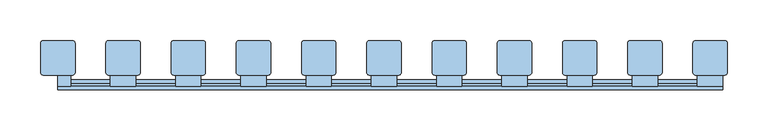
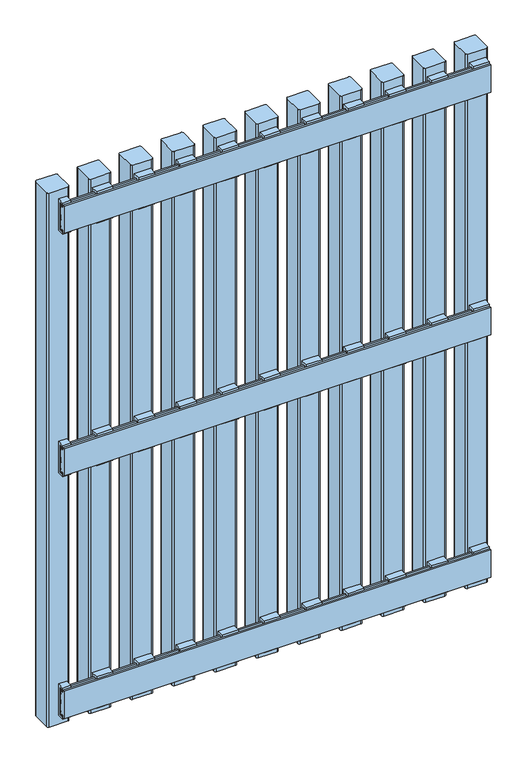
"""IFC4 building model written with IfcOpenShell, lengths in millimetres: window geometry."""

from ifc_helpers import new_model, si_unit, point, frame, frame_2d, origin, place, context, project, spatial, polyline, circle_curve, trimmed, segment, composite_curve, outline, extrude, source, transform, mapped, element, save


def window_81b12cc7(model_context):
    return source(origin(), model_context, "Body", "SweptSolid", [
        extrude(outline(polyline([(32.2, 666.5936804), (28.0, 666.5936804), (28.0, 662.5936804), (24.2, 662.5936804), (24.2, 670.5), (38.1, 670.5), (38.1, 607.5), (24.2, 607.5), (24.2, 615.4063196), (28.0, 615.4063196), (28.0, 611.4063196), (32.2, 611.4063196), (32.2, 666.5936804)])), frame((264.5, 0.0, 0.0), z_axis=(1.0, 0.0, 0.0), x_axis=(0.0, 1.0, 0.0)), (0.0, 0.0, 1.0), 31.0),
        extrude(outline(polyline([(32.1, 1100.9063196), (32.1, 1156.0936804), (27.9, 1156.0936804), (27.9, 1152.0936804), (24.1, 1152.0936804), (24.1, 1160.0), (38.0, 1160.0), (38.0, 1097.0), (24.1, 1097.0), (24.1, 1104.9063196), (27.9, 1104.9063196), (27.9, 1100.9063196), (32.1, 1100.9063196)])), frame((264.5, 0.0, 0.0), z_axis=(1.0, 0.0, 0.0), x_axis=(0.0, 1.0, 0.0)), (0.0, 0.0, 1.0), 31.0),
        extrude(outline(polyline([(32.1, 177.0936804), (27.9, 177.0936804), (27.9, 173.0936804), (24.1, 173.0936804), (24.1, 181.0), (38.0, 181.0), (38.0, 118.0), (24.1, 118.0), (24.1, 125.9063196), (27.9, 125.9063196), (27.9, 121.9063196), (32.1, 121.9063196), (32.1, 177.0936804)])), frame((264.5, 0.0, 0.0), z_axis=(1.0, 0.0, 0.0), x_axis=(0.0, 1.0, 0.0)), (0.0, 0.0, 1.0), 31.0),
        extrude(outline(polyline([(32.2, 666.5936804), (28.0, 666.5936804), (28.0, 662.5936804), (24.2, 662.5936804), (24.2, 670.5), (38.1, 670.5), (38.1, 607.5), (24.2, 607.5), (24.2, 615.4063196), (28.0, 615.4063196), (28.0, 611.4063196), (32.2, 611.4063196), (32.2, 666.5936804)])), frame((184.5, 0.0, 0.0), z_axis=(1.0, 0.0, 0.0), x_axis=(0.0, 1.0, 0.0)), (0.0, 0.0, 1.0), 31.0),
        extrude(outline(polyline([(32.1, 1100.9063196), (32.1, 1156.0936804), (27.9, 1156.0936804), (27.9, 1152.0936804), (24.1, 1152.0936804), (24.1, 1160.0), (38.0, 1160.0), (38.0, 1097.0), (24.1, 1097.0), (24.1, 1104.9063196), (27.9, 1104.9063196), (27.9, 1100.9063196), (32.1, 1100.9063196)])), frame((184.5, 0.0, 0.0), z_axis=(1.0, 0.0, 0.0), x_axis=(0.0, 1.0, 0.0)), (0.0, 0.0, 1.0), 31.0),
        extrude(outline(polyline([(32.1, 177.0936804), (27.9, 177.0936804), (27.9, 173.0936804), (24.1, 173.0936804), (24.1, 181.0), (38.0, 181.0), (38.0, 118.0), (24.1, 118.0), (24.1, 125.9063196), (27.9, 125.9063196), (27.9, 121.9063196), (32.1, 121.9063196), (32.1, 177.0936804)])), frame((184.5, 0.0, 0.0), z_axis=(1.0, 0.0, 0.0), x_axis=(0.0, 1.0, 0.0)), (0.0, 0.0, 1.0), 31.0),
        extrude(outline(polyline([(32.2, 666.5936804), (28.0, 666.5936804), (28.0, 662.5936804), (24.2, 662.5936804), (24.2, 670.5), (38.1, 670.5), (38.1, 607.5), (24.2, 607.5), (24.2, 615.4063196), (28.0, 615.4063196), (28.0, 611.4063196), (32.2, 611.4063196), (32.2, 666.5936804)])), frame((104.5, 0.0, 0.0), z_axis=(1.0, 0.0, 0.0), x_axis=(0.0, 1.0, 0.0)), (0.0, 0.0, 1.0), 31.0),
        extrude(outline(polyline([(32.1, 1100.9063196), (32.1, 1156.0936804), (27.9, 1156.0936804), (27.9, 1152.0936804), (24.1, 1152.0936804), (24.1, 1160.0), (38.0, 1160.0), (38.0, 1097.0), (24.1, 1097.0), (24.1, 1104.9063196), (27.9, 1104.9063196), (27.9, 1100.9063196), (32.1, 1100.9063196)])), frame((104.5, 0.0, 0.0), z_axis=(1.0, 0.0, 0.0), x_axis=(0.0, 1.0, 0.0)), (0.0, 0.0, 1.0), 31.0),
        extrude(outline(polyline([(32.1, 177.0936804), (27.9, 177.0936804), (27.9, 173.0936804), (24.1, 173.0936804), (24.1, 181.0), (38.0, 181.0), (38.0, 118.0), (24.1, 118.0), (24.1, 125.9063196), (27.9, 125.9063196), (27.9, 121.9063196), (32.1, 121.9063196), (32.1, 177.0936804)])), frame((104.5, 0.0, 0.0), z_axis=(1.0, 0.0, 0.0), x_axis=(0.0, 1.0, 0.0)), (0.0, 0.0, 1.0), 31.0),
        extrude(outline(polyline([(32.2, 666.5936804), (28.0, 666.5936804), (28.0, 662.5936804), (24.2, 662.5936804), (24.2, 670.5), (38.1, 670.5), (38.1, 607.5), (24.2, 607.5), (24.2, 615.4063196), (28.0, 615.4063196), (28.0, 611.4063196), (32.2, 611.4063196), (32.2, 666.5936804)])), frame((24.5, 0.0, 0.0), z_axis=(1.0, 0.0, 0.0), x_axis=(0.0, 1.0, 0.0)), (0.0, 0.0, 1.0), 31.0),
        extrude(outline(polyline([(32.1, 1100.9063196), (32.1, 1156.0936804), (27.9, 1156.0936804), (27.9, 1152.0936804), (24.1, 1152.0936804), (24.1, 1160.0), (38.0, 1160.0), (38.0, 1097.0), (24.1, 1097.0), (24.1, 1104.9063196), (27.9, 1104.9063196), (27.9, 1100.9063196), (32.1, 1100.9063196)])), frame((24.5, 0.0, 0.0), z_axis=(1.0, 0.0, 0.0), x_axis=(0.0, 1.0, 0.0)), (0.0, 0.0, 1.0), 31.0),
        extrude(outline(polyline([(32.1, 177.0936804), (27.9, 177.0936804), (27.9, 173.0936804), (24.1, 173.0936804), (24.1, 181.0), (38.0, 181.0), (38.0, 118.0), (24.1, 118.0), (24.1, 125.9063196), (27.9, 125.9063196), (27.9, 121.9063196), (32.1, 121.9063196), (32.1, 177.0936804)])), frame((24.5, 0.0, 0.0), z_axis=(1.0, 0.0, 0.0), x_axis=(0.0, 1.0, 0.0)), (0.0, 0.0, 1.0), 31.0),
        extrude(outline(polyline([(32.2, 666.5936804), (28.0, 666.5936804), (28.0, 662.5936804), (24.2, 662.5936804), (24.2, 670.5), (38.1, 670.5), (38.1, 607.5), (24.2, 607.5), (24.2, 615.4063196), (28.0, 615.4063196), (28.0, 611.4063196), (32.2, 611.4063196), (32.2, 666.5936804)])), frame((-55.5, 0.0, 0.0), z_axis=(1.0, 0.0, 0.0), x_axis=(0.0, 1.0, 0.0)), (0.0, 0.0, 1.0), 31.0),
        extrude(outline(polyline([(32.1, 1100.9063196), (32.1, 1156.0936804), (27.9, 1156.0936804), (27.9, 1152.0936804), (24.1, 1152.0936804), (24.1, 1160.0), (38.0, 1160.0), (38.0, 1097.0), (24.1, 1097.0), (24.1, 1104.9063196), (27.9, 1104.9063196), (27.9, 1100.9063196), (32.1, 1100.9063196)])), frame((-55.5, 0.0, 0.0), z_axis=(1.0, 0.0, 0.0), x_axis=(0.0, 1.0, 0.0)), (0.0, 0.0, 1.0), 31.0),
        extrude(outline(polyline([(32.1, 177.0936804), (27.9, 177.0936804), (27.9, 173.0936804), (24.1, 173.0936804), (24.1, 181.0), (38.0, 181.0), (38.0, 118.0), (24.1, 118.0), (24.1, 125.9063196), (27.9, 125.9063196), (27.9, 121.9063196), (32.1, 121.9063196), (32.1, 177.0936804)])), frame((-55.5, 0.0, 0.0), z_axis=(1.0, 0.0, 0.0), x_axis=(0.0, 1.0, 0.0)), (0.0, 0.0, 1.0), 31.0),
        extrude(outline(polyline([(32.2, 666.5936804), (28.0, 666.5936804), (28.0, 662.5936804), (24.2, 662.5936804), (24.2, 670.5), (38.1, 670.5), (38.1, 607.5), (24.2, 607.5), (24.2, 615.4063196), (28.0, 615.4063196), (28.0, 611.4063196), (32.2, 611.4063196), (32.2, 666.5936804)])), frame((-135.5, 0.0, 0.0), z_axis=(1.0, 0.0, 0.0), x_axis=(0.0, 1.0, 0.0)), (0.0, 0.0, 1.0), 31.0),
        extrude(outline(polyline([(32.1, 1100.9063196), (32.1, 1156.0936804), (27.9, 1156.0936804), (27.9, 1152.0936804), (24.1, 1152.0936804), (24.1, 1160.0), (38.0, 1160.0), (38.0, 1097.0), (24.1, 1097.0), (24.1, 1104.9063196), (27.9, 1104.9063196), (27.9, 1100.9063196), (32.1, 1100.9063196)])), frame((-135.5, 0.0, 0.0), z_axis=(1.0, 0.0, 0.0), x_axis=(0.0, 1.0, 0.0)), (0.0, 0.0, 1.0), 31.0),
        extrude(outline(polyline([(32.1, 177.0936804), (27.9, 177.0936804), (27.9, 173.0936804), (24.1, 173.0936804), (24.1, 181.0), (38.0, 181.0), (38.0, 118.0), (24.1, 118.0), (24.1, 125.9063196), (27.9, 125.9063196), (27.9, 121.9063196), (32.1, 121.9063196), (32.1, 177.0936804)])), frame((-135.5, 0.0, 0.0), z_axis=(1.0, 0.0, 0.0), x_axis=(0.0, 1.0, 0.0)), (0.0, 0.0, 1.0), 31.0),
        extrude(outline(polyline([(32.2, 666.5936804), (28.0, 666.5936804), (28.0, 662.5936804), (24.2, 662.5936804), (24.2, 670.5), (38.1, 670.5), (38.1, 607.5), (24.2, 607.5), (24.2, 615.4063196), (28.0, 615.4063196), (28.0, 611.4063196), (32.2, 611.4063196), (32.2, 666.5936804)])), frame((-215.5, 0.0, 0.0), z_axis=(1.0, 0.0, 0.0), x_axis=(0.0, 1.0, 0.0)), (0.0, 0.0, 1.0), 31.0),
        extrude(outline(polyline([(32.1, 1100.9063196), (32.1, 1156.0936804), (27.9, 1156.0936804), (27.9, 1152.0936804), (24.1, 1152.0936804), (24.1, 1160.0), (38.0, 1160.0), (38.0, 1097.0), (24.1, 1097.0), (24.1, 1104.9063196), (27.9, 1104.9063196), (27.9, 1100.9063196), (32.1, 1100.9063196)])), frame((-215.5, 0.0, 0.0), z_axis=(1.0, 0.0, 0.0), x_axis=(0.0, 1.0, 0.0)), (0.0, 0.0, 1.0), 31.0),
        extrude(outline(polyline([(32.1, 177.0936804), (27.9, 177.0936804), (27.9, 173.0936804), (24.1, 173.0936804), (24.1, 181.0), (38.0, 181.0), (38.0, 118.0), (24.1, 118.0), (24.1, 125.9063196), (27.9, 125.9063196), (27.9, 121.9063196), (32.1, 121.9063196), (32.1, 177.0936804)])), frame((-215.5, 0.0, 0.0), z_axis=(1.0, 0.0, 0.0), x_axis=(0.0, 1.0, 0.0)), (0.0, 0.0, 1.0), 31.0),
        extrude(outline(polyline([(32.2, 666.5936804), (28.0, 666.5936804), (28.0, 662.5936804), (24.2, 662.5936804), (24.2, 670.5), (38.1, 670.5), (38.1, 607.5), (24.2, 607.5), (24.2, 615.4063196), (28.0, 615.4063196), (28.0, 611.4063196), (32.2, 611.4063196), (32.2, 666.5936804)])), frame((-295.5, 0.0, 0.0), z_axis=(1.0, 0.0, 0.0), x_axis=(0.0, 1.0, 0.0)), (0.0, 0.0, 1.0), 31.0),
        extrude(outline(polyline([(32.1, 1100.9063196), (32.1, 1156.0936804), (27.9, 1156.0936804), (27.9, 1152.0936804), (24.1, 1152.0936804), (24.1, 1160.0), (38.0, 1160.0), (38.0, 1097.0), (24.1, 1097.0), (24.1, 1104.9063196), (27.9, 1104.9063196), (27.9, 1100.9063196), (32.1, 1100.9063196)])), frame((-295.5, 0.0, 0.0), z_axis=(1.0, 0.0, 0.0), x_axis=(0.0, 1.0, 0.0)), (0.0, 0.0, 1.0), 31.0),
        extrude(outline(polyline([(32.1, 177.0936804), (27.9, 177.0936804), (27.9, 173.0936804), (24.1, 173.0936804), (24.1, 181.0), (38.0, 181.0), (38.0, 118.0), (24.1, 118.0), (24.1, 125.9063196), (27.9, 125.9063196), (27.9, 121.9063196), (32.1, 121.9063196), (32.1, 177.0936804)])), frame((-295.5, 0.0, 0.0), z_axis=(1.0, 0.0, 0.0), x_axis=(0.0, 1.0, 0.0)), (0.0, 0.0, 1.0), 31.0),
        extrude(outline(polyline([(32.2, 666.5936804), (28.0, 666.5936804), (28.0, 662.5936804), (24.2, 662.5936804), (24.2, 670.5), (38.1, 670.5), (38.1, 607.5), (24.2, 607.5), (24.2, 615.4063196), (28.0, 615.4063196), (28.0, 611.4063196), (32.2, 611.4063196), (32.2, 666.5936804)])), frame((-375.5, 0.0, 0.0), z_axis=(1.0, 0.0, 0.0), x_axis=(0.0, 1.0, 0.0)), (0.0, 0.0, 1.0), 31.0),
        extrude(outline(polyline([(32.1, 1100.9063196), (32.1, 1156.0936804), (27.9, 1156.0936804), (27.9, 1152.0936804), (24.1, 1152.0936804), (24.1, 1160.0), (38.0, 1160.0), (38.0, 1097.0), (24.1, 1097.0), (24.1, 1104.9063196), (27.9, 1104.9063196), (27.9, 1100.9063196), (32.1, 1100.9063196)])), frame((-375.5, 0.0, 0.0), z_axis=(1.0, 0.0, 0.0), x_axis=(0.0, 1.0, 0.0)), (0.0, 0.0, 1.0), 31.0),
        extrude(outline(polyline([(32.1, 177.0936804), (27.9, 177.0936804), (27.9, 173.0936804), (24.1, 173.0936804), (24.1, 181.0), (38.0, 181.0), (38.0, 118.0), (24.1, 118.0), (24.1, 125.9063196), (27.9, 125.9063196), (27.9, 121.9063196), (32.1, 121.9063196), (32.1, 177.0936804)])), frame((-375.5, 0.0, 0.0), z_axis=(1.0, 0.0, 0.0), x_axis=(0.0, 1.0, 0.0)), (0.0, 0.0, 1.0), 31.0),
        extrude(outline(polyline([(32.2, 611.4063196), (32.2, 666.5936804), (28.0, 666.5936804), (28.0, 662.5936804), (24.2, 662.5936804), (24.2, 670.5), (38.1, 670.5), (38.1, 607.5), (24.2, 607.5), (24.2, 615.4063196), (28.0, 615.4063196), (28.0, 611.4063196), (32.2, 611.4063196)])), frame((344.5, 0.0, 0.0), z_axis=(1.0, 0.0, 0.0), x_axis=(0.0, 1.0, 0.0)), (0.0, 0.0, 1.0), 31.0),
        extrude(outline(polyline([(32.1, 1100.9063196), (32.1, 1156.0936804), (27.9, 1156.0936804), (27.9, 1152.0936804), (24.1, 1152.0936804), (24.1, 1160.0), (38.0, 1160.0), (38.0, 1097.0), (24.1, 1097.0), (24.1, 1104.9063196), (27.9, 1104.9063196), (27.9, 1100.9063196), (32.1, 1100.9063196)])), frame((344.5, 0.0, 0.0), z_axis=(1.0, 0.0, 0.0), x_axis=(0.0, 1.0, 0.0)), (0.0, 0.0, 1.0), 31.0),
        extrude(outline(polyline([(32.1, 177.0936804), (27.9, 177.0936804), (27.9, 173.0936804), (24.1, 173.0936804), (24.1, 181.0), (38.0, 181.0), (38.0, 118.0), (24.1, 118.0), (24.1, 125.9063196), (27.9, 125.9063196), (27.9, 121.9063196), (32.1, 121.9063196), (32.1, 177.0936804)])), frame((344.5, 0.0, 0.0), z_axis=(1.0, 0.0, 0.0), x_axis=(0.0, 1.0, 0.0)), (0.0, 0.0, 1.0), 31.0),
        extrude(outline(polyline([(32.2, 611.4063196), (32.2, 666.5936804), (28.0, 666.5936804), (28.0, 662.5936804), (24.2, 662.5936804), (24.2, 670.5), (38.1, 670.5), (38.1, 607.5), (24.2, 607.5), (24.2, 615.4063196), (28.0, 615.4063196), (28.0, 611.4063196), (32.2, 611.4063196)])), frame((-440.0378851, 0.0, 0.0), z_axis=(1.0, 0.0, 0.0), x_axis=(0.0, 1.0, 0.0)), (0.0, 0.0, 1.0), 15.5378851),
        extrude(outline(polyline([(32.1, 1100.9063196), (32.1, 1156.0936804), (27.9, 1156.0936804), (27.9, 1152.0936804), (24.1, 1152.0936804), (24.1, 1160.0), (38.0, 1160.0), (38.0, 1097.0), (24.1, 1097.0), (24.1, 1104.9063196), (27.9, 1104.9063196), (27.9, 1100.9063196), (32.1, 1100.9063196)])), frame((-440.0, 0.0, 0.0), z_axis=(1.0, 0.0, 0.0), x_axis=(0.0, 1.0, 0.0)), (0.0, 0.0, 1.0), 15.5),
        extrude(outline(polyline([(32.1, 177.0936804), (27.9, 177.0936804), (27.9, 173.0936804), (24.1, 173.0936804), (24.1, 181.0), (38.0, 181.0), (38.0, 118.0), (24.1, 118.0), (24.1, 125.9063196), (27.9, 125.9063196), (27.9, 121.9063196), (32.1, 121.9063196), (32.1, 177.0936804)])), frame((-440.0, 0.0, 0.0), z_axis=(1.0, 0.0, 0.0), x_axis=(0.0, 1.0, 0.0)), (0.0, 0.0, 1.0), 15.5),
        extrude(outline(polyline([(20.1, 666.5063196), (24.1, 666.5063196), (24.1, 662.5063196), (28.1, 662.5063196), (28.1, 666.5063196), (32.1, 666.5063196), (32.1, 661.5063196), (29.1, 661.5063196), (29.1, 656.5063196), (32.1, 656.5063196), (32.1, 644.0063196), (29.1, 644.0063196), (29.1, 634.0063196), (32.1, 634.0063196), (32.1, 621.5063196), (29.1, 621.5063196), (29.1, 616.5063196), (32.1, 616.5063196), (32.1, 611.5063196), (28.1, 611.5063196), (28.1, 615.5063196), (24.1, 615.5063196), (24.1, 611.5063196), (20.1, 611.5063196), (20.1, 666.5063196)])), frame((-440.0, 0.0, 0.0), z_axis=(1.0, 0.0, 0.0), x_axis=(0.0, 1.0, 0.0)), (0.0, 0.0, 1.0), 815.5),
        extrude(outline(polyline([(20.0, 1156.0), (24.0, 1156.0), (24.0, 1152.0), (28.0, 1152.0), (28.0, 1156.0), (32.0, 1156.0), (32.0, 1151.0), (29.0, 1151.0), (29.0, 1146.0), (32.0, 1146.0), (32.0, 1133.5), (29.0, 1133.5), (29.0, 1123.5), (32.0, 1123.5), (32.0, 1111.0), (29.0, 1111.0), (29.0, 1106.0), (32.0, 1106.0), (32.0, 1101.0), (28.0, 1101.0), (28.0, 1105.0), (24.0, 1105.0), (24.0, 1101.0), (20.0, 1101.0), (20.0, 1156.0)])), frame((-440.0, 0.0, 0.0), z_axis=(1.0, 0.0, 0.0), x_axis=(0.0, 1.0, 0.0)), (0.0, 0.0, 1.0), 815.5),
        extrude(outline(polyline([(20.0, 177.0), (24.0, 177.0), (24.0, 173.0), (28.0, 173.0), (28.0, 177.0), (32.0, 177.0), (32.0, 172.0), (29.0, 172.0), (29.0, 167.0), (32.0, 167.0), (32.0, 154.5), (29.0, 154.5), (29.0, 144.5), (32.0, 144.5), (32.0, 132.0), (29.0, 132.0), (29.0, 127.0), (32.0, 127.0), (32.0, 122.0), (28.0, 122.0), (28.0, 126.0), (24.0, 126.0), (24.0, 122.0), (20.0, 122.0), (20.0, 177.0)])), frame((-440.0, 0.0, 0.0), z_axis=(1.0, 0.0, 0.0), x_axis=(0.0, 1.0, 0.0)), (0.0, 0.0, 1.0), 815.5),
        extrude(outline(composite_curve([segment(polyline([(380.995806, 77.0), (380.995806, 41.0)]), True, "CONTINUOUS"), segment(trimmed(circle_curve(frame_2d((377.995806, 41.0)), 3.0), [point((380.995806, 41.0))], [point((377.995806, 38.0))], False, "CARTESIAN"), True, "CONTINUOUS"), segment(polyline([(377.995806, 38.0), (341.995806, 38.0)]), True, "CONTINUOUS"), segment(trimmed(circle_curve(frame_2d((341.995806, 41.0)), 3.0), [point((341.995806, 38.0))], [point((338.995806, 41.0))], False, "CARTESIAN"), True, "CONTINUOUS"), segment(polyline([(338.995806, 41.0), (338.995806, 77.0)]), True, "CONTINUOUS"), segment(trimmed(circle_curve(frame_2d((341.995806, 77.0)), 3.0), [point((338.995806, 77.0))], [point((341.995806, 80.0))], False, "CARTESIAN"), True, "CONTINUOUS"), segment(polyline([(341.995806, 80.0), (377.995806, 80.0)]), True, "CONTINUOUS"), segment(trimmed(circle_curve(frame_2d((377.995806, 77.0)), 3.0), [point((377.995806, 80.0))], [point((380.995806, 77.0))], False, "CARTESIAN"), True, "CONTINUOUS")], self_intersect=False)), frame((0.0, 0.0, 100.0), z_axis=(0.0, 0.0, 1.0), x_axis=(1.0, 0.0, 0.0)), (0.0, 0.0, 1.0), 1078.0),
        extrude(outline(composite_curve([segment(polyline([(300.995806, 77.0), (300.995806, 41.0)]), True, "CONTINUOUS"), segment(trimmed(circle_curve(frame_2d((297.995806, 41.0)), 3.0), [point((300.995806, 41.0))], [point((297.995806, 38.0))], False, "CARTESIAN"), True, "CONTINUOUS"), segment(polyline([(297.995806, 38.0), (261.995806, 38.0)]), True, "CONTINUOUS"), segment(trimmed(circle_curve(frame_2d((261.995806, 41.0)), 3.0), [point((261.995806, 38.0))], [point((258.995806, 41.0))], False, "CARTESIAN"), True, "CONTINUOUS"), segment(polyline([(258.995806, 41.0), (258.995806, 77.0)]), True, "CONTINUOUS"), segment(trimmed(circle_curve(frame_2d((261.995806, 77.0)), 3.0), [point((258.995806, 77.0))], [point((261.995806, 80.0))], False, "CARTESIAN"), True, "CONTINUOUS"), segment(polyline([(261.995806, 80.0), (297.995806, 80.0)]), True, "CONTINUOUS"), segment(trimmed(circle_curve(frame_2d((297.995806, 77.0)), 3.0), [point((297.995806, 80.0))], [point((300.995806, 77.0))], False, "CARTESIAN"), True, "CONTINUOUS")], self_intersect=False)), frame((0.0, 0.0, 100.0), z_axis=(0.0, 0.0, 1.0), x_axis=(1.0, 0.0, 0.0)), (0.0, 0.0, 1.0), 1078.0),
        extrude(outline(composite_curve([segment(polyline([(220.995806, 77.0), (220.995806, 41.0)]), True, "CONTINUOUS"), segment(trimmed(circle_curve(frame_2d((217.995806, 41.0)), 3.0), [point((220.995806, 41.0))], [point((217.995806, 38.0))], False, "CARTESIAN"), True, "CONTINUOUS"), segment(polyline([(217.995806, 38.0), (181.995806, 38.0)]), True, "CONTINUOUS"), segment(trimmed(circle_curve(frame_2d((181.995806, 41.0)), 3.0), [point((181.995806, 38.0))], [point((178.995806, 41.0))], False, "CARTESIAN"), True, "CONTINUOUS"), segment(polyline([(178.995806, 41.0), (178.995806, 77.0)]), True, "CONTINUOUS"), segment(trimmed(circle_curve(frame_2d((181.995806, 77.0)), 3.0), [point((178.995806, 77.0))], [point((181.995806, 80.0))], False, "CARTESIAN"), True, "CONTINUOUS"), segment(polyline([(181.995806, 80.0), (217.995806, 80.0)]), True, "CONTINUOUS"), segment(trimmed(circle_curve(frame_2d((217.995806, 77.0)), 3.0), [point((217.995806, 80.0))], [point((220.995806, 77.0))], False, "CARTESIAN"), True, "CONTINUOUS")], self_intersect=False)), frame((0.0, 0.0, 100.0), z_axis=(0.0, 0.0, 1.0), x_axis=(1.0, 0.0, 0.0)), (0.0, 0.0, 1.0), 1078.0),
        extrude(outline(composite_curve([segment(polyline([(140.995806, 77.0), (140.995806, 41.0)]), True, "CONTINUOUS"), segment(trimmed(circle_curve(frame_2d((137.995806, 41.0)), 3.0), [point((140.995806, 41.0))], [point((137.995806, 38.0))], False, "CARTESIAN"), True, "CONTINUOUS"), segment(polyline([(137.995806, 38.0), (101.995806, 38.0)]), True, "CONTINUOUS"), segment(trimmed(circle_curve(frame_2d((101.995806, 41.0)), 3.0), [point((101.995806, 38.0))], [point((98.995806, 41.0))], False, "CARTESIAN"), True, "CONTINUOUS"), segment(polyline([(98.995806, 41.0), (98.995806, 77.0)]), True, "CONTINUOUS"), segment(trimmed(circle_curve(frame_2d((101.995806, 77.0)), 3.0), [point((98.995806, 77.0))], [point((101.995806, 80.0))], False, "CARTESIAN"), True, "CONTINUOUS"), segment(polyline([(101.995806, 80.0), (137.995806, 80.0)]), True, "CONTINUOUS"), segment(trimmed(circle_curve(frame_2d((137.995806, 77.0)), 3.0), [point((137.995806, 80.0))], [point((140.995806, 77.0))], False, "CARTESIAN"), True, "CONTINUOUS")], self_intersect=False)), frame((0.0, 0.0, 100.0), z_axis=(0.0, 0.0, 1.0), x_axis=(1.0, 0.0, 0.0)), (0.0, 0.0, 1.0), 1078.0),
        extrude(outline(composite_curve([segment(polyline([(60.995806, 77.0), (60.995806, 41.0)]), True, "CONTINUOUS"), segment(trimmed(circle_curve(frame_2d((57.995806, 41.0)), 3.0), [point((60.995806, 41.0))], [point((57.995806, 38.0))], False, "CARTESIAN"), True, "CONTINUOUS"), segment(polyline([(57.995806, 38.0), (21.995806, 38.0)]), True, "CONTINUOUS"), segment(trimmed(circle_curve(frame_2d((21.995806, 41.0)), 3.0), [point((21.995806, 38.0))], [point((18.995806, 41.0))], False, "CARTESIAN"), True, "CONTINUOUS"), segment(polyline([(18.995806, 41.0), (18.995806, 77.0)]), True, "CONTINUOUS"), segment(trimmed(circle_curve(frame_2d((21.995806, 77.0)), 3.0), [point((18.995806, 77.0))], [point((21.995806, 80.0))], False, "CARTESIAN"), True, "CONTINUOUS"), segment(polyline([(21.995806, 80.0), (57.995806, 80.0)]), True, "CONTINUOUS"), segment(trimmed(circle_curve(frame_2d((57.995806, 77.0)), 3.0), [point((57.995806, 80.0))], [point((60.995806, 77.0))], False, "CARTESIAN"), True, "CONTINUOUS")], self_intersect=False)), frame((0.0, 0.0, 100.0), z_axis=(0.0, 0.0, 1.0), x_axis=(1.0, 0.0, 0.0)), (0.0, 0.0, 1.0), 1078.0),
        extrude(outline(composite_curve([segment(polyline([(-19.004194, 77.0), (-19.004194, 41.0)]), True, "CONTINUOUS"), segment(trimmed(circle_curve(frame_2d((-22.004194, 41.0)), 3.0), [point((-19.004194, 41.0))], [point((-22.004194, 38.0))], False, "CARTESIAN"), True, "CONTINUOUS"), segment(polyline([(-22.004194, 38.0), (-58.004194, 38.0)]), True, "CONTINUOUS"), segment(trimmed(circle_curve(frame_2d((-58.004194, 41.0)), 3.0), [point((-58.004194, 38.0))], [point((-61.004194, 41.0))], False, "CARTESIAN"), True, "CONTINUOUS"), segment(polyline([(-61.004194, 41.0), (-61.004194, 77.0)]), True, "CONTINUOUS"), segment(trimmed(circle_curve(frame_2d((-58.004194, 77.0)), 3.0), [point((-61.004194, 77.0))], [point((-58.004194, 80.0))], False, "CARTESIAN"), True, "CONTINUOUS"), segment(polyline([(-58.004194, 80.0), (-22.004194, 80.0)]), True, "CONTINUOUS"), segment(trimmed(circle_curve(frame_2d((-22.004194, 77.0)), 3.0), [point((-22.004194, 80.0))], [point((-19.004194, 77.0))], False, "CARTESIAN"), True, "CONTINUOUS")], self_intersect=False)), frame((0.0, 0.0, 100.0), z_axis=(0.0, 0.0, 1.0), x_axis=(1.0, 0.0, 0.0)), (0.0, 0.0, 1.0), 1078.0),
        extrude(outline(composite_curve([segment(polyline([(-99.004194, 77.0), (-99.004194, 41.0)]), True, "CONTINUOUS"), segment(trimmed(circle_curve(frame_2d((-102.004194, 41.0)), 3.0), [point((-99.004194, 41.0))], [point((-102.004194, 38.0))], False, "CARTESIAN"), True, "CONTINUOUS"), segment(polyline([(-102.004194, 38.0), (-138.004194, 38.0)]), True, "CONTINUOUS"), segment(trimmed(circle_curve(frame_2d((-138.004194, 41.0)), 3.0), [point((-138.004194, 38.0))], [point((-141.004194, 41.0))], False, "CARTESIAN"), True, "CONTINUOUS"), segment(polyline([(-141.004194, 41.0), (-141.004194, 77.0)]), True, "CONTINUOUS"), segment(trimmed(circle_curve(frame_2d((-138.004194, 77.0)), 3.0), [point((-141.004194, 77.0))], [point((-138.004194, 80.0))], False, "CARTESIAN"), True, "CONTINUOUS"), segment(polyline([(-138.004194, 80.0), (-102.004194, 80.0)]), True, "CONTINUOUS"), segment(trimmed(circle_curve(frame_2d((-102.004194, 77.0)), 3.0), [point((-102.004194, 80.0))], [point((-99.004194, 77.0))], False, "CARTESIAN"), True, "CONTINUOUS")], self_intersect=False)), frame((0.0, 0.0, 100.0), z_axis=(0.0, 0.0, 1.0), x_axis=(1.0, 0.0, 0.0)), (0.0, 0.0, 1.0), 1078.0),
        extrude(outline(composite_curve([segment(polyline([(-179.004194, 77.0), (-179.004194, 41.0)]), True, "CONTINUOUS"), segment(trimmed(circle_curve(frame_2d((-182.004194, 41.0)), 3.0), [point((-179.004194, 41.0))], [point((-182.004194, 38.0))], False, "CARTESIAN"), True, "CONTINUOUS"), segment(polyline([(-182.004194, 38.0), (-218.004194, 38.0)]), True, "CONTINUOUS"), segment(trimmed(circle_curve(frame_2d((-218.004194, 41.0)), 3.0), [point((-218.004194, 38.0))], [point((-221.004194, 41.0))], False, "CARTESIAN"), True, "CONTINUOUS"), segment(polyline([(-221.004194, 41.0), (-221.004194, 77.0)]), True, "CONTINUOUS"), segment(trimmed(circle_curve(frame_2d((-218.004194, 77.0)), 3.0), [point((-221.004194, 77.0))], [point((-218.004194, 80.0))], False, "CARTESIAN"), True, "CONTINUOUS"), segment(polyline([(-218.004194, 80.0), (-182.004194, 80.0)]), True, "CONTINUOUS"), segment(trimmed(circle_curve(frame_2d((-182.004194, 77.0)), 3.0), [point((-182.004194, 80.0))], [point((-179.004194, 77.0))], False, "CARTESIAN"), True, "CONTINUOUS")], self_intersect=False)), frame((0.0, 0.0, 100.0), z_axis=(0.0, 0.0, 1.0), x_axis=(1.0, 0.0, 0.0)), (0.0, 0.0, 1.0), 1078.0),
        extrude(outline(composite_curve([segment(polyline([(-259.004194, 77.0), (-259.004194, 41.0)]), True, "CONTINUOUS"), segment(trimmed(circle_curve(frame_2d((-262.004194, 41.0)), 3.0), [point((-259.004194, 41.0))], [point((-262.004194, 38.0))], False, "CARTESIAN"), True, "CONTINUOUS"), segment(polyline([(-262.004194, 38.0), (-298.004194, 38.0)]), True, "CONTINUOUS"), segment(trimmed(circle_curve(frame_2d((-298.004194, 41.0)), 3.0), [point((-298.004194, 38.0))], [point((-301.004194, 41.0))], False, "CARTESIAN"), True, "CONTINUOUS"), segment(polyline([(-301.004194, 41.0), (-301.004194, 77.0)]), True, "CONTINUOUS"), segment(trimmed(circle_curve(frame_2d((-298.004194, 77.0)), 3.0), [point((-301.004194, 77.0))], [point((-298.004194, 80.0))], False, "CARTESIAN"), True, "CONTINUOUS"), segment(polyline([(-298.004194, 80.0), (-262.004194, 80.0)]), True, "CONTINUOUS"), segment(trimmed(circle_curve(frame_2d((-262.004194, 77.0)), 3.0), [point((-262.004194, 80.0))], [point((-259.004194, 77.0))], False, "CARTESIAN"), True, "CONTINUOUS")], self_intersect=False)), frame((0.0, 0.0, 100.0), z_axis=(0.0, 0.0, 1.0), x_axis=(1.0, 0.0, 0.0)), (0.0, 0.0, 1.0), 1078.0),
        extrude(outline(composite_curve([segment(polyline([(-339.004194, 77.0), (-339.004194, 41.0)]), True, "CONTINUOUS"), segment(trimmed(circle_curve(frame_2d((-342.004194, 41.0)), 3.0), [point((-339.004194, 41.0))], [point((-342.004194, 38.0))], False, "CARTESIAN"), True, "CONTINUOUS"), segment(polyline([(-342.004194, 38.0), (-378.004194, 38.0)]), True, "CONTINUOUS"), segment(trimmed(circle_curve(frame_2d((-378.004194, 41.0)), 3.0), [point((-378.004194, 38.0))], [point((-381.004194, 41.0))], False, "CARTESIAN"), True, "CONTINUOUS"), segment(polyline([(-381.004194, 41.0), (-381.004194, 77.0)]), True, "CONTINUOUS"), segment(trimmed(circle_curve(frame_2d((-378.004194, 77.0)), 3.0), [point((-381.004194, 77.0))], [point((-378.004194, 80.0))], False, "CARTESIAN"), True, "CONTINUOUS"), segment(polyline([(-378.004194, 80.0), (-342.004194, 80.0)]), True, "CONTINUOUS"), segment(trimmed(circle_curve(frame_2d((-342.004194, 77.0)), 3.0), [point((-342.004194, 80.0))], [point((-339.004194, 77.0))], False, "CARTESIAN"), True, "CONTINUOUS")], self_intersect=False)), frame((0.0, 0.0, 100.0), z_axis=(0.0, 0.0, 1.0), x_axis=(1.0, 0.0, 0.0)), (0.0, 0.0, 1.0), 1078.0),
        extrude(outline(composite_curve([segment(polyline([(-419.0, 77.0), (-419.0, 41.0)]), True, "CONTINUOUS"), segment(trimmed(circle_curve(frame_2d((-422.0, 41.0)), 3.0), [point((-419.0, 41.0))], [point((-422.0, 38.0))], False, "CARTESIAN"), True, "CONTINUOUS"), segment(polyline([(-422.0, 38.0), (-458.0, 38.0)]), True, "CONTINUOUS"), segment(trimmed(circle_curve(frame_2d((-458.0, 41.0)), 3.0), [point((-458.0, 38.0))], [point((-461.0, 41.0))], False, "CARTESIAN"), True, "CONTINUOUS"), segment(polyline([(-461.0, 41.0), (-461.0, 77.0)]), True, "CONTINUOUS"), segment(trimmed(circle_curve(frame_2d((-458.0, 77.0)), 3.0), [point((-461.0, 77.0))], [point((-458.0, 80.0))], False, "CARTESIAN"), True, "CONTINUOUS"), segment(polyline([(-458.0, 80.0), (-422.0, 80.0)]), True, "CONTINUOUS"), segment(trimmed(circle_curve(frame_2d((-422.0, 77.0)), 3.0), [point((-422.0, 80.0))], [point((-419.0, 77.0))], False, "CARTESIAN"), True, "CONTINUOUS")], self_intersect=False)), frame((0.0, 0.0, 100.0), z_axis=(0.0, 0.0, 1.0), x_axis=(1.0, 0.0, 0.0)), (0.0, 0.0, 1.0), 1078.0),
    ])


if __name__ == "__main__":
    model = new_model("IFC4")
    model_context = context("Model", 3, world=origin())
    ifc_project = project(units=[si_unit("LENGTHUNIT", "METRE", prefix="MILLI")], contexts=[model_context])
    site = spatial("IfcSite", under=ifc_project)
    building = spatial("IfcBuilding", under=site)
    placement = place(None, origin())
    window_shape = window_81b12cc7(model_context)
    element("IfcWindow", 1, at=placement, inside=building, context=model_context, shape_type="MappedRepresentation", body=[
        mapped(window_shape, transform((0.0, 0.0, 0.0), x_axis=(1.0, 0.0, 0.0), y_axis=(0.0, 1.0, 0.0), z_axis=(0.0, 0.0, 1.0))),
    ])
    save(model, "model.ifc")
